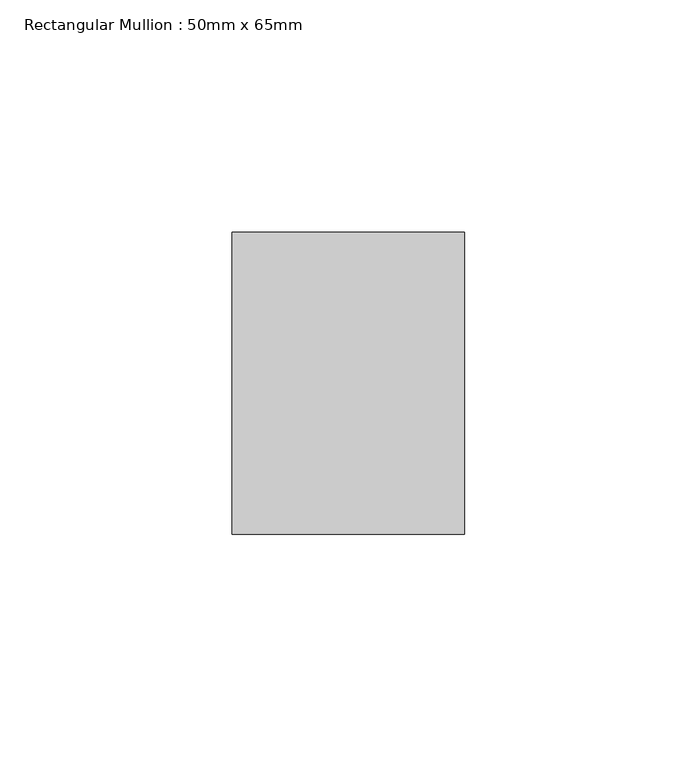
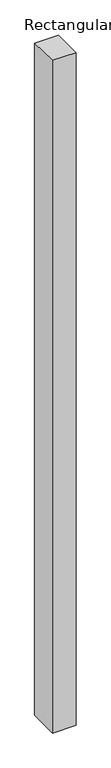
"""IFC4 building model written with IfcOpenShell, lengths in millimetres: member geometry, Rectangular Mullion : 50mm x 65mm."""

from ifc_helpers import new_model, si_unit, origin, place, context, project, spatial, faceted_brep, source, transform, mapped, element, save


def rectangular_mullion_50mm_x_65mm_02412e7a(model_context):
    return source(origin(), model_context, "Body", "Brep", [
        faceted_brep([(-25.0, 32.5, -0.4966786), (25.0, 32.5, -0.4966775), (25.0, 32.5, -1499.5928683), (-25.0, 32.5, -1499.5928674), (-25.0, -32.5, 0.4966775), (-25.0, -32.5, -1500.4075201), (25.0, -32.5, 0.4966786), (25.0, -32.5, -1500.4075211)], [[[0, 1, 2, 3]], [[4, 0, 3, 5]], [[6, 4, 5, 7]], [[1, 6, 7, 2]], [[1, 0, 4, 6]], [[2, 7, 5, 3]]]),
    ])


if __name__ == "__main__":
    model = new_model("IFC4")
    model_context = context("Model", 3, world=origin())
    ifc_project = project(units=[si_unit("LENGTHUNIT", "METRE", prefix="MILLI")], contexts=[model_context])
    site = spatial("IfcSite", under=ifc_project)
    building = spatial("IfcBuilding", under=site)
    placement = place(None, origin())
    rectangular_mullion_50mm_x_65mm_shape = rectangular_mullion_50mm_x_65mm_02412e7a(model_context)
    element("IfcMember", 1, ObjectType="Rectangular Mullion : 50mm x 65mm", at=placement, inside=building, context=model_context, shape_type="MappedRepresentation", body=[
        mapped(rectangular_mullion_50mm_x_65mm_shape, transform((0.0, 0.0, 0.0), x_axis=(1.0, 0.0, 0.0), y_axis=(0.0, 1.0, 0.0), z_axis=(0.0, 0.0, 1.0))),
    ])
    save(model, "model.ifc")
